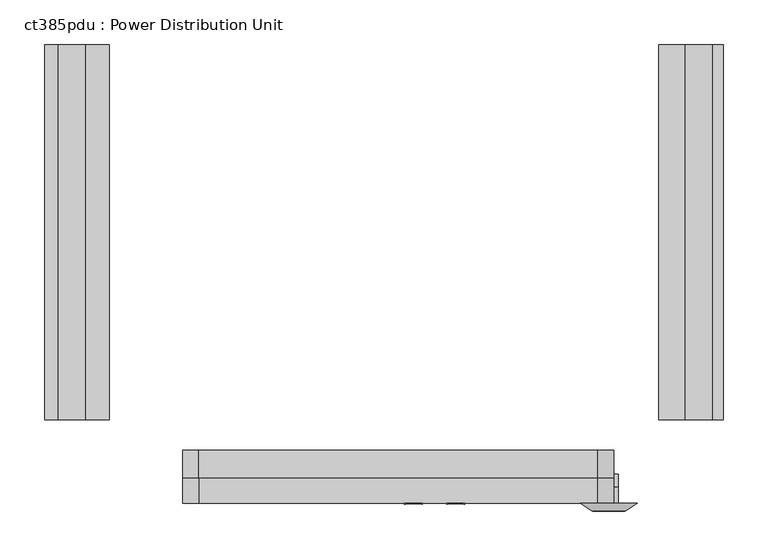
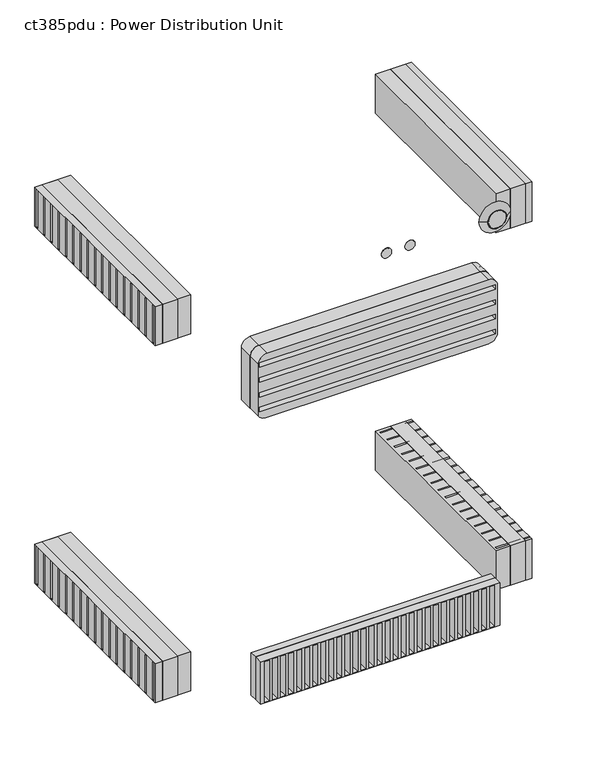
"""IFC4 building model written with IfcOpenShell, lengths in millimetres: proxy geometry, ct385pdu : Power Distribution Unit."""

from ifc_helpers import new_model, si_unit, point, frame, frame_2d, origin, place, context, project, spatial, polyline, circle_curve, trimmed, segment, composite_curve, outline, extrude, faceted_brep, source, transform, mapped, element, save
from ifc_brep_helpers import plane_surface, revolved_surface, advanced_brep


def ct385pdu_power_distribution_unit_e67f532d(model_context):
    return source(origin(), model_context, "Body", "SolidModel", [
        extrude(outline(polyline([(761.8482721, -324.5379539), (761.8482721, -744.9079539), (731.5127684, -744.9079539), (731.5127684, -324.5379539), (761.8482721, -324.5379539)])), frame((0.0, 0.0, 121.047899), z_axis=(0.0, 0.0, 1.0), x_axis=(1.0, 0.0, 0.0)), (0.0, 0.0, 1.0), 83.82),
        extrude(outline(polyline([(761.8482721, -324.5379539), (761.8482721, -744.9079539), (731.5127684, -744.9079539), (731.5127684, -324.5379539), (761.8482721, -324.5379539)])), frame((0.0, 0.0, 883.047899), z_axis=(0.0, 0.0, 1.0), x_axis=(1.0, 0.0, 0.0)), (0.0, 0.0, 1.0), 83.82),
        extrude(outline(polyline([(28.6535885, -744.9079539), (28.6535885, -324.5379539), (58.9890922, -324.5379539), (58.9890922, -744.9079539), (28.6535885, -744.9079539)])), frame((0.0, 0.0, 121.047899), z_axis=(0.0, 0.0, 1.0), x_axis=(1.0, 0.0, 0.0)), (0.0, 0.0, 1.0), 83.82),
        extrude(outline(polyline([(28.6535885, -744.9079539), (28.6535885, -324.5379539), (58.9890922, -324.5379539), (58.9890922, -744.9079539), (28.6535885, -744.9079539)])), frame((0.0, 0.0, 883.047899), z_axis=(0.0, 0.0, 1.0), x_axis=(1.0, 0.0, 0.0)), (0.0, 0.0, 1.0), 83.82),
        extrude(outline(polyline([(656.4572816, -820.2558112), (172.5872816, -820.2558112), (172.5872816, -805.8457536), (656.4572816, -805.8457536), (656.4572816, -820.2558112)])), frame((0.0, 0.0, 118.6856245), z_axis=(0.0, 0.0, 1.0), x_axis=(1.0, 0.0, 0.0)), (0.0, 0.0, 1.0), 90.17),
        extrude(outline(composite_curve([segment(polyline([(845.892643, 168.2948993), (734.9447741, 168.2948993)]), True, "CONTINUOUS"), segment(trimmed(circle_curve(frame_2d((745.3012718, 182.7472816)), 17.78), [point((734.9447741, 168.2948993))], [point((727.5212718, 182.7472816))], False, "CARTESIAN"), True, "CONTINUOUS"), segment(polyline([(727.5212718, 182.7472816), (727.5212718, 633.5972816)]), True, "CONTINUOUS"), segment(trimmed(circle_curve(frame_2d((745.3012718, 633.5972816)), 17.78), [point((727.5212718, 633.5972816))], [point((745.3012718, 651.3772816))], False, "CARTESIAN"), True, "CONTINUOUS"), segment(polyline([(745.3012718, 651.3772816), (845.892643, 651.3772816)]), True, "CONTINUOUS"), segment(trimmed(circle_curve(frame_2d((845.892643, 633.5972816)), 17.78), [point((845.892643, 651.3772816))], [point((863.672643, 633.5972816))], False, "CARTESIAN"), True, "CONTINUOUS"), segment(polyline([(863.672643, 633.5972816), (863.672643, 186.0748993)]), True, "CONTINUOUS"), segment(trimmed(circle_curve(frame_2d((845.892643, 186.0748993)), 17.78), [point((863.672643, 186.0748993))], [point((845.892643, 168.2948993))], False, "CARTESIAN"), True, "CONTINUOUS")], self_intersect=False)), frame((0.0, -810.0150461, 0.0), z_axis=(0.0, 1.0, 0.0), x_axis=(0.0, 0.0, 1.0)), (0.0, 0.0, 1.0), 30.8170922),
        faceted_brep([(774.3030789, -324.5379539, 966.867899), (774.3030789, -744.9079539, 966.867899), (774.3030789, -744.9079539, 883.047899), (774.3030789, -324.5379539, 883.047899), (774.3030789, -736.3419115, 965.3989057), (774.3030789, -736.3419115, 884.1630022), (774.3030789, -740.0505071, 884.1630022), (774.3030789, -740.0505071, 965.3989057), (774.3030789, -710.9419115, 965.3989057), (774.3030789, -710.9419115, 884.1630022), (774.3030789, -714.6505071, 884.1630022), (774.3030789, -714.6505071, 965.3989057), (774.3030789, -685.5419115, 965.3989057), (774.3030789, -685.5419115, 884.1630022), (774.3030789, -689.2505071, 884.1630022), (774.3030789, -689.2505071, 965.3989057), (774.3030789, -660.1419115, 965.3989057), (774.3030789, -660.1419115, 884.1630022), (774.3030789, -663.8505071, 884.1630022), (774.3030789, -663.8505071, 965.3989057), (774.3030789, -634.7419115, 965.3989057), (774.3030789, -634.7419115, 884.1630022), (774.3030789, -638.4505071, 884.1630022), (774.3030789, -638.4505071, 965.3989057), (774.3030789, -609.3419115, 965.3989057), (774.3030789, -609.3419115, 884.1630022), (774.3030789, -613.0505071, 884.1630022), (774.3030789, -613.0505071, 965.3989057), (774.3030789, -583.9419115, 965.3989057), (774.3030789, -583.9419115, 884.1630022), (774.3030789, -587.6505071, 884.1630022), (774.3030789, -587.6505071, 965.3989057), (774.3030789, -558.5419115, 965.3989057), (774.3030789, -558.5419115, 884.1630022), (774.3030789, -562.2505071, 884.1630022), (774.3030789, -562.2505071, 965.3989057), (774.3030789, -533.1419115, 965.3989057), (774.3030789, -533.1419115, 884.1630022), (774.3030789, -536.8505071, 884.1630022), (774.3030789, -536.8505071, 965.3989057), (774.3030789, -507.7419115, 965.3989057), (774.3030789, -507.7419115, 884.1630022), (774.3030789, -511.4505071, 884.1630022), (774.3030789, -511.4505071, 965.3989057), (774.3030789, -482.3419115, 965.3989057), (774.3030789, -482.3419115, 884.1630022), (774.3030789, -486.0505071, 884.1630022), (774.3030789, -486.0505071, 965.3989057), (774.3030789, -456.9419115, 965.3989057), (774.3030789, -456.9419115, 884.1630022), (774.3030789, -460.6505071, 884.1630022), (774.3030789, -460.6505071, 965.3989057), (774.3030789, -431.5419115, 965.3989057), (774.3030789, -431.5419115, 884.1630022), (774.3030789, -435.2505071, 884.1630022), (774.3030789, -435.2505071, 965.3989057), (774.3030789, -406.1419115, 965.3989057), (774.3030789, -406.1419115, 884.1630022), (774.3030789, -409.8505071, 884.1630022), (774.3030789, -409.8505071, 965.3989057), (774.3030789, -380.7419115, 965.3989057), (774.3030789, -380.7419115, 884.1630022), (774.3030789, -384.4505071, 884.1630022), (774.3030789, -384.4505071, 965.3989057), (774.3030789, -355.3419115, 965.3989057), (774.3030789, -355.3419115, 884.1630022), (774.3030789, -359.0505071, 884.1630022), (774.3030789, -359.0505071, 965.3989057), (774.3030789, -329.9419115, 965.3989057), (774.3030789, -329.9419115, 884.1630022), (774.3030789, -333.6505071, 884.1630022), (774.3030789, -333.6505071, 965.3989057), (701.9825097, -324.5379539, 966.867899), (701.9825097, -324.5379539, 883.047899), (701.9825097, -744.9079539, 883.047899), (701.9825097, -744.9079539, 966.867899), (706.2723647, -736.3419115, 965.3989057), (706.2723647, -740.0505071, 965.3989057), (706.2723647, -740.0505071, 884.1630022), (706.2723647, -736.3419115, 884.1630022), (706.2723647, -710.9419115, 965.3989057), (706.2723647, -714.6505071, 965.3989057), (706.2723647, -714.6505071, 884.1630022), (706.2723647, -710.9419115, 884.1630022), (706.2723647, -685.5419115, 965.3989057), (706.2723647, -689.2505071, 965.3989057), (706.2723647, -689.2505071, 884.1630022), (706.2723647, -685.5419115, 884.1630022), (706.2723647, -660.1419115, 965.3989057), (706.2723647, -663.8505071, 965.3989057), (706.2723647, -663.8505071, 884.1630022), (706.2723647, -660.1419115, 884.1630022), (706.2723647, -634.7419115, 965.3989057), (706.2723647, -638.4505071, 965.3989057), (706.2723647, -638.4505071, 884.1630022), (706.2723647, -634.7419115, 884.1630022), (706.2723647, -609.3419115, 965.3989057), (706.2723647, -613.0505071, 965.3989057), (706.2723647, -613.0505071, 884.1630022), (706.2723647, -609.3419115, 884.1630022), (706.2723647, -583.9419115, 965.3989057), (706.2723647, -587.6505071, 965.3989057), (706.2723647, -587.6505071, 884.1630022), (706.2723647, -583.9419115, 884.1630022), (706.2723647, -558.5419115, 965.3989057), (706.2723647, -562.2505071, 965.3989057), (706.2723647, -562.2505071, 884.1630022), (706.2723647, -558.5419115, 884.1630022), (706.2723647, -533.1419115, 965.3989057), (706.2723647, -536.8505071, 965.3989057), (706.2723647, -536.8505071, 884.1630022), (706.2723647, -533.1419115, 884.1630022), (706.2723647, -507.7419115, 965.3989057), (706.2723647, -511.4505071, 965.3989057), (706.2723647, -511.4505071, 884.1630022), (706.2723647, -507.7419115, 884.1630022), (706.2723647, -482.3419115, 965.3989057), (706.2723647, -486.0505071, 965.3989057), (706.2723647, -486.0505071, 884.1630022), (706.2723647, -482.3419115, 884.1630022), (706.2723647, -456.9419115, 965.3989057), (706.2723647, -460.6505071, 965.3989057), (706.2723647, -460.6505071, 884.1630022), (706.2723647, -456.9419115, 884.1630022), (706.2723647, -431.5419115, 965.3989057), (706.2723647, -435.2505071, 965.3989057), (706.2723647, -435.2505071, 884.1630022), (706.2723647, -431.5419115, 884.1630022), (706.2723647, -406.1419115, 965.3989057), (706.2723647, -409.8505071, 965.3989057), (706.2723647, -409.8505071, 884.1630022), (706.2723647, -406.1419115, 884.1630022), (706.2723647, -380.7419115, 965.3989057), (706.2723647, -384.4505071, 965.3989057), (706.2723647, -384.4505071, 884.1630022), (706.2723647, -380.7419115, 884.1630022), (706.2723647, -355.3419115, 965.3989057), (706.2723647, -359.0505071, 965.3989057), (706.2723647, -359.0505071, 884.1630022), (706.2723647, -355.3419115, 884.1630022), (706.2723647, -329.9419115, 965.3989057), (706.2723647, -333.6505071, 965.3989057), (706.2723647, -333.6505071, 884.1630022), (706.2723647, -329.9419115, 884.1630022)], [[[0, 1, 2, 3], [4, 5, 6, 7], [8, 9, 10, 11], [12, 13, 14, 15], [16, 17, 18, 19], [20, 21, 22, 23], [24, 25, 26, 27], [28, 29, 30, 31], [32, 33, 34, 35], [36, 37, 38, 39], [40, 41, 42, 43], [44, 45, 46, 47], [48, 49, 50, 51], [52, 53, 54, 55], [56, 57, 58, 59], [60, 61, 62, 63], [64, 65, 66, 67], [68, 69, 70, 71]], [[72, 73, 74, 75]], [[0, 3, 73, 72]], [[3, 2, 74, 73]], [[2, 1, 75, 74]], [[1, 0, 72, 75]], [[76, 77, 78, 79]], [[80, 81, 82, 83]], [[84, 85, 86, 87]], [[88, 89, 90, 91]], [[92, 93, 94, 95]], [[96, 97, 98, 99]], [[100, 101, 102, 103]], [[104, 105, 106, 107]], [[108, 109, 110, 111]], [[112, 113, 114, 115]], [[116, 117, 118, 119]], [[120, 121, 122, 123]], [[124, 125, 126, 127]], [[128, 129, 130, 131]], [[132, 133, 134, 135]], [[136, 137, 138, 139]], [[140, 141, 142, 143]], [[76, 79, 5, 4]], [[79, 78, 6, 5]], [[78, 77, 7, 6]], [[77, 76, 4, 7]], [[80, 83, 9, 8]], [[83, 82, 10, 9]], [[82, 81, 11, 10]], [[81, 80, 8, 11]], [[84, 87, 13, 12]], [[87, 86, 14, 13]], [[86, 85, 15, 14]], [[85, 84, 12, 15]], [[88, 91, 17, 16]], [[91, 90, 18, 17]], [[90, 89, 19, 18]], [[89, 88, 16, 19]], [[92, 95, 21, 20]], [[95, 94, 22, 21]], [[94, 93, 23, 22]], [[93, 92, 20, 23]], [[96, 99, 25, 24]], [[99, 98, 26, 25]], [[98, 97, 27, 26]], [[97, 96, 24, 27]], [[100, 103, 29, 28]], [[103, 102, 30, 29]], [[102, 101, 31, 30]], [[101, 100, 28, 31]], [[104, 107, 33, 32]], [[107, 106, 34, 33]], [[106, 105, 35, 34]], [[105, 104, 32, 35]], [[108, 111, 37, 36]], [[111, 110, 38, 37]], [[110, 109, 39, 38]], [[109, 108, 36, 39]], [[112, 115, 41, 40]], [[115, 114, 42, 41]], [[114, 113, 43, 42]], [[113, 112, 40, 43]], [[116, 119, 45, 44]], [[119, 118, 46, 45]], [[118, 117, 47, 46]], [[117, 116, 44, 47]], [[120, 123, 49, 48]], [[123, 122, 50, 49]], [[122, 121, 51, 50]], [[121, 120, 48, 51]], [[124, 127, 53, 52]], [[127, 126, 54, 53]], [[126, 125, 55, 54]], [[125, 124, 52, 55]], [[128, 131, 57, 56]], [[131, 130, 58, 57]], [[130, 129, 59, 58]], [[129, 128, 56, 59]], [[132, 135, 61, 60]], [[135, 134, 62, 61]], [[134, 133, 63, 62]], [[133, 132, 60, 63]], [[136, 139, 65, 64]], [[139, 138, 66, 65]], [[138, 137, 67, 66]], [[137, 136, 64, 67]], [[140, 143, 69, 68]], [[143, 142, 70, 69]], [[142, 141, 71, 70]], [[141, 140, 68, 71]]]),
        faceted_brep([(774.3030789, -744.9079539, 204.867899), (774.3030789, -744.9079539, 121.047899), (774.3030789, -324.5379539, 121.047899), (774.3030789, -324.5379539, 204.867899), (774.3030789, -329.9419115, 204.867899), (774.3030789, -329.9419115, 125.3934548), (774.3030789, -333.6505071, 125.3934548), (774.3030789, -333.6505071, 204.867899), (774.3030789, -355.3419115, 204.867899), (774.3030789, -355.3419115, 125.3934548), (774.3030789, -359.0505071, 125.3934548), (774.3030789, -359.0505071, 204.867899), (774.3030789, -380.7419115, 204.867899), (774.3030789, -380.7419115, 125.3934548), (774.3030789, -384.4505071, 125.3934548), (774.3030789, -384.4505071, 204.867899), (774.3030789, -406.1419115, 204.867899), (774.3030789, -406.1419115, 125.3934548), (774.3030789, -409.8505071, 125.3934548), (774.3030789, -409.8505071, 204.867899), (774.3030789, -431.5419115, 204.867899), (774.3030789, -431.5419115, 125.3934548), (774.3030789, -435.2505071, 125.3934548), (774.3030789, -435.2505071, 204.867899), (774.3030789, -456.9419115, 204.867899), (774.3030789, -456.9419115, 125.3934548), (774.3030789, -460.6505071, 125.3934548), (774.3030789, -460.6505071, 204.867899), (774.3030789, -482.3419115, 204.867899), (774.3030789, -482.3419115, 125.3934548), (774.3030789, -486.0505071, 125.3934548), (774.3030789, -486.0505071, 204.867899), (774.3030789, -507.7419115, 204.867899), (774.3030789, -507.7419115, 125.3934548), (774.3030789, -511.4505071, 125.3934548), (774.3030789, -511.4505071, 204.867899), (774.3030789, -533.1419115, 204.867899), (774.3030789, -533.1419115, 125.3934548), (774.3030789, -536.8505071, 125.3934548), (774.3030789, -536.8505071, 204.867899), (774.3030789, -558.5419115, 204.867899), (774.3030789, -558.5419115, 125.3934548), (774.3030789, -562.2505071, 125.3934548), (774.3030789, -562.2505071, 204.867899), (774.3030789, -583.9419115, 204.867899), (774.3030789, -583.9419115, 125.3934548), (774.3030789, -587.6505071, 125.3934548), (774.3030789, -587.6505071, 204.867899), (774.3030789, -609.3419115, 204.867899), (774.3030789, -609.3419115, 125.3934548), (774.3030789, -613.0505071, 125.3934548), (774.3030789, -613.0505071, 204.867899), (774.3030789, -634.7419115, 204.867899), (774.3030789, -634.7419115, 125.3934548), (774.3030789, -638.4505071, 125.3934548), (774.3030789, -638.4505071, 204.867899), (774.3030789, -660.1419115, 204.867899), (774.3030789, -660.1419115, 125.3934548), (774.3030789, -663.8505071, 125.3934548), (774.3030789, -663.8505071, 204.867899), (774.3030789, -685.5419115, 204.867899), (774.3030789, -685.5419115, 125.3934548), (774.3030789, -689.2505071, 125.3934548), (774.3030789, -689.2505071, 204.867899), (774.3030789, -710.9419115, 204.867899), (774.3030789, -710.9419115, 125.3934548), (774.3030789, -714.6505071, 125.3934548), (774.3030789, -714.6505071, 204.867899), (774.3030789, -736.3419115, 204.867899), (774.3030789, -736.3419115, 125.3934548), (774.3030789, -740.0505071, 125.3934548), (774.3030789, -740.0505071, 204.867899), (701.9825097, -324.5379539, 204.867899), (701.9825097, -324.5379539, 121.047899), (701.9825097, -744.9079539, 121.047899), (701.9825097, -744.9079539, 204.867899), (706.2723647, -740.0505071, 204.867899), (706.2723647, -736.3419115, 204.867899), (706.2723647, -714.6505071, 204.867899), (706.2723647, -710.9419115, 204.867899), (706.2723647, -689.2505071, 204.867899), (706.2723647, -685.5419115, 204.867899), (706.2723647, -663.8505071, 204.867899), (706.2723647, -660.1419115, 204.867899), (706.2723647, -638.4505071, 204.867899), (706.2723647, -634.7419115, 204.867899), (706.2723647, -613.0505071, 204.867899), (706.2723647, -609.3419115, 204.867899), (706.2723647, -587.6505071, 204.867899), (706.2723647, -583.9419115, 204.867899), (706.2723647, -562.2505071, 204.867899), (706.2723647, -558.5419115, 204.867899), (706.2723647, -536.8505071, 204.867899), (706.2723647, -533.1419115, 204.867899), (706.2723647, -511.4505071, 204.867899), (706.2723647, -507.7419115, 204.867899), (706.2723647, -486.0505071, 204.867899), (706.2723647, -482.3419115, 204.867899), (706.2723647, -460.6505071, 204.867899), (706.2723647, -456.9419115, 204.867899), (706.2723647, -435.2505071, 204.867899), (706.2723647, -431.5419115, 204.867899), (706.2723647, -409.8505071, 204.867899), (706.2723647, -406.1419115, 204.867899), (706.2723647, -384.4505071, 204.867899), (706.2723647, -380.7419115, 204.867899), (706.2723647, -359.0505071, 204.867899), (706.2723647, -355.3419115, 204.867899), (706.2723647, -333.6505071, 204.867899), (706.2723647, -329.9419115, 204.867899), (706.2723647, -740.0505071, 125.3934548), (706.2723647, -736.3419115, 125.3934548), (706.2723647, -714.6505071, 125.3934548), (706.2723647, -710.9419115, 125.3934548), (706.2723647, -689.2505071, 125.3934548), (706.2723647, -685.5419115, 125.3934548), (706.2723647, -663.8505071, 125.3934548), (706.2723647, -660.1419115, 125.3934548), (706.2723647, -638.4505071, 125.3934548), (706.2723647, -634.7419115, 125.3934548), (706.2723647, -613.0505071, 125.3934548), (706.2723647, -609.3419115, 125.3934548), (706.2723647, -587.6505071, 125.3934548), (706.2723647, -583.9419115, 125.3934548), (706.2723647, -562.2505071, 125.3934548), (706.2723647, -558.5419115, 125.3934548), (706.2723647, -536.8505071, 125.3934548), (706.2723647, -533.1419115, 125.3934548), (706.2723647, -511.4505071, 125.3934548), (706.2723647, -507.7419115, 125.3934548), (706.2723647, -486.0505071, 125.3934548), (706.2723647, -482.3419115, 125.3934548), (706.2723647, -460.6505071, 125.3934548), (706.2723647, -456.9419115, 125.3934548), (706.2723647, -435.2505071, 125.3934548), (706.2723647, -431.5419115, 125.3934548), (706.2723647, -409.8505071, 125.3934548), (706.2723647, -406.1419115, 125.3934548), (706.2723647, -384.4505071, 125.3934548), (706.2723647, -380.7419115, 125.3934548), (706.2723647, -359.0505071, 125.3934548), (706.2723647, -355.3419115, 125.3934548), (706.2723647, -333.6505071, 125.3934548), (706.2723647, -329.9419115, 125.3934548)], [[[0, 1, 2, 3, 4, 5, 6, 7, 8, 9, 10, 11, 12, 13, 14, 15, 16, 17, 18, 19, 20, 21, 22, 23, 24, 25, 26, 27, 28, 29, 30, 31, 32, 33, 34, 35, 36, 37, 38, 39, 40, 41, 42, 43, 44, 45, 46, 47, 48, 49, 50, 51, 52, 53, 54, 55, 56, 57, 58, 59, 60, 61, 62, 63, 64, 65, 66, 67, 68, 69, 70, 71]], [[72, 73, 74, 75]], [[3, 2, 73, 72]], [[2, 1, 74, 73]], [[1, 0, 75, 74]], [[72, 75, 0, 71, 76, 77, 68, 67, 78, 79, 64, 63, 80, 81, 60, 59, 82, 83, 56, 55, 84, 85, 52, 51, 86, 87, 48, 47, 88, 89, 44, 43, 90, 91, 40, 39, 92, 93, 36, 35, 94, 95, 32, 31, 96, 97, 28, 27, 98, 99, 24, 23, 100, 101, 20, 19, 102, 103, 16, 15, 104, 105, 12, 11, 106, 107, 8, 7, 108, 109, 4, 3]], [[110, 111, 77, 76]], [[112, 113, 79, 78]], [[114, 115, 81, 80]], [[116, 117, 83, 82]], [[118, 119, 85, 84]], [[120, 121, 87, 86]], [[122, 123, 89, 88]], [[124, 125, 91, 90]], [[126, 127, 93, 92]], [[128, 129, 95, 94]], [[130, 131, 97, 96]], [[132, 133, 99, 98]], [[134, 135, 101, 100]], [[136, 137, 103, 102]], [[138, 139, 105, 104]], [[140, 141, 107, 106]], [[142, 143, 109, 108]], [[111, 110, 70, 69]], [[70, 110, 76, 71]], [[111, 69, 68, 77]], [[113, 112, 66, 65]], [[66, 112, 78, 67]], [[113, 65, 64, 79]], [[115, 114, 62, 61]], [[62, 114, 80, 63]], [[115, 61, 60, 81]], [[117, 116, 58, 57]], [[58, 116, 82, 59]], [[117, 57, 56, 83]], [[119, 118, 54, 53]], [[54, 118, 84, 55]], [[119, 53, 52, 85]], [[121, 120, 50, 49]], [[50, 120, 86, 51]], [[121, 49, 48, 87]], [[123, 122, 46, 45]], [[46, 122, 88, 47]], [[123, 45, 44, 89]], [[125, 124, 42, 41]], [[42, 124, 90, 43]], [[125, 41, 40, 91]], [[127, 126, 38, 37]], [[38, 126, 92, 39]], [[127, 37, 36, 93]], [[129, 128, 34, 33]], [[34, 128, 94, 35]], [[129, 33, 32, 95]], [[131, 130, 30, 29]], [[30, 130, 96, 31]], [[131, 29, 28, 97]], [[133, 132, 26, 25]], [[26, 132, 98, 27]], [[133, 25, 24, 99]], [[135, 134, 22, 21]], [[22, 134, 100, 23]], [[135, 21, 20, 101]], [[137, 136, 18, 17]], [[18, 136, 102, 19]], [[137, 17, 16, 103]], [[139, 138, 14, 13]], [[14, 138, 104, 15]], [[139, 13, 12, 105]], [[141, 140, 10, 9]], [[10, 140, 106, 11]], [[141, 9, 8, 107]], [[143, 142, 6, 5]], [[6, 142, 108, 7]], [[143, 5, 4, 109]]]),
        extrude(outline(polyline([(-324.5379539, 966.867899), (-324.5379539, 883.047899), (-744.9079539, 883.047899), (-744.9079539, 966.867899), (-324.5379539, 966.867899)]), holes=[polyline([(-333.6505071, 965.3989057), (-333.6505071, 884.1630022), (-329.9419115, 884.1630022), (-329.9419115, 965.3989057), (-333.6505071, 965.3989057)]), polyline([(-359.0505071, 965.3989057), (-359.0505071, 884.1630022), (-355.3419115, 884.1630022), (-355.3419115, 965.3989057), (-359.0505071, 965.3989057)]), polyline([(-384.4505071, 965.3989057), (-384.4505071, 884.1630022), (-380.7419115, 884.1630022), (-380.7419115, 965.3989057), (-384.4505071, 965.3989057)]), polyline([(-409.8505071, 965.3989057), (-409.8505071, 884.1630022), (-406.1419115, 884.1630022), (-406.1419115, 965.3989057), (-409.8505071, 965.3989057)]), polyline([(-435.2505071, 965.3989057), (-435.2505071, 884.1630022), (-431.5419115, 884.1630022), (-431.5419115, 965.3989057), (-435.2505071, 965.3989057)]), polyline([(-460.6505071, 965.3989057), (-460.6505071, 884.1630022), (-456.9419115, 884.1630022), (-456.9419115, 965.3989057), (-460.6505071, 965.3989057)]), polyline([(-486.0505071, 965.3989057), (-486.0505071, 884.1630022), (-482.3419115, 884.1630022), (-482.3419115, 965.3989057), (-486.0505071, 965.3989057)]), polyline([(-511.4505071, 965.3989057), (-511.4505071, 884.1630022), (-507.7419115, 884.1630022), (-507.7419115, 965.3989057), (-511.4505071, 965.3989057)]), polyline([(-536.8505071, 965.3989057), (-536.8505071, 884.1630022), (-533.1419115, 884.1630022), (-533.1419115, 965.3989057), (-536.8505071, 965.3989057)]), polyline([(-562.2505071, 965.3989057), (-562.2505071, 884.1630022), (-558.5419115, 884.1630022), (-558.5419115, 965.3989057), (-562.2505071, 965.3989057)]), polyline([(-587.6505071, 965.3989057), (-587.6505071, 884.1630022), (-583.9419115, 884.1630022), (-583.9419115, 965.3989057), (-587.6505071, 965.3989057)]), polyline([(-613.0505071, 965.3989057), (-613.0505071, 884.1630022), (-609.3419115, 884.1630022), (-609.3419115, 965.3989057), (-613.0505071, 965.3989057)]), polyline([(-638.4505071, 965.3989057), (-638.4505071, 884.1630022), (-634.7419115, 884.1630022), (-634.7419115, 965.3989057), (-638.4505071, 965.3989057)]), polyline([(-663.8505071, 965.3989057), (-663.8505071, 884.1630022), (-660.1419115, 884.1630022), (-660.1419115, 965.3989057), (-663.8505071, 965.3989057)]), polyline([(-689.2505071, 965.3989057), (-689.2505071, 884.1630022), (-685.5419115, 884.1630022), (-685.5419115, 965.3989057), (-689.2505071, 965.3989057)]), polyline([(-714.6505071, 965.3989057), (-714.6505071, 884.1630022), (-710.9419115, 884.1630022), (-710.9419115, 965.3989057), (-714.6505071, 965.3989057)]), polyline([(-740.0505071, 965.3989057), (-740.0505071, 884.1630022), (-736.3419115, 884.1630022), (-736.3419115, 965.3989057), (-740.0505071, 965.3989057)])]), frame((13.3803622, 0.0, 0.0), z_axis=(1.0, 0.0, 0.0), x_axis=(0.0, 1.0, 0.0)), (0.0, 0.0, 1.0), 72.3205692),
        extrude(outline(polyline([(-324.5379539, 204.867899), (-324.5379539, 121.047899), (-744.9079539, 121.047899), (-744.9079539, 204.867899), (-324.5379539, 204.867899)]), holes=[polyline([(-333.6505071, 122.2184548), (-329.9419115, 122.2184548), (-329.9419115, 203.4543583), (-333.6505071, 203.4543583), (-333.6505071, 122.2184548)]), polyline([(-359.0505071, 122.2184548), (-355.3419115, 122.2184548), (-355.3419115, 203.4543583), (-359.0505071, 203.4543583), (-359.0505071, 122.2184548)]), polyline([(-384.4505071, 122.2184548), (-380.7419115, 122.2184548), (-380.7419115, 203.4543583), (-384.4505071, 203.4543583), (-384.4505071, 122.2184548)]), polyline([(-409.8505071, 122.2184548), (-406.1419115, 122.2184548), (-406.1419115, 203.4543583), (-409.8505071, 203.4543583), (-409.8505071, 122.2184548)]), polyline([(-435.2505071, 122.2184548), (-431.5419115, 122.2184548), (-431.5419115, 203.4543583), (-435.2505071, 203.4543583), (-435.2505071, 122.2184548)]), polyline([(-460.6505071, 122.2184548), (-456.9419115, 122.2184548), (-456.9419115, 203.4543583), (-460.6505071, 203.4543583), (-460.6505071, 122.2184548)]), polyline([(-486.0505071, 122.2184548), (-482.3419115, 122.2184548), (-482.3419115, 203.4543583), (-486.0505071, 203.4543583), (-486.0505071, 122.2184548)]), polyline([(-511.4505071, 122.2184548), (-507.7419115, 122.2184548), (-507.7419115, 203.4543583), (-511.4505071, 203.4543583), (-511.4505071, 122.2184548)]), polyline([(-536.8505071, 122.2184548), (-533.1419115, 122.2184548), (-533.1419115, 203.4543583), (-536.8505071, 203.4543583), (-536.8505071, 122.2184548)]), polyline([(-562.2505071, 122.2184548), (-558.5419115, 122.2184548), (-558.5419115, 203.4543583), (-562.2505071, 203.4543583), (-562.2505071, 122.2184548)]), polyline([(-587.6505071, 122.2184548), (-583.9419115, 122.2184548), (-583.9419115, 203.4543583), (-587.6505071, 203.4543583), (-587.6505071, 122.2184548)]), polyline([(-613.0505071, 122.2184548), (-609.3419115, 122.2184548), (-609.3419115, 203.4543583), (-613.0505071, 203.4543583), (-613.0505071, 122.2184548)]), polyline([(-638.4505071, 122.2184548), (-634.7419115, 122.2184548), (-634.7419115, 203.4543583), (-638.4505071, 203.4543583), (-638.4505071, 122.2184548)]), polyline([(-663.8505071, 122.2184548), (-660.1419115, 122.2184548), (-660.1419115, 203.4543583), (-663.8505071, 203.4543583), (-663.8505071, 122.2184548)]), polyline([(-689.2505071, 122.2184548), (-685.5419115, 122.2184548), (-685.5419115, 203.4543583), (-689.2505071, 203.4543583), (-689.2505071, 122.2184548)]), polyline([(-714.6505071, 122.2184548), (-710.9419115, 122.2184548), (-710.9419115, 203.4543583), (-714.6505071, 203.4543583), (-714.6505071, 122.2184548)]), polyline([(-740.0505071, 122.2184548), (-736.3419115, 122.2184548), (-736.3419115, 203.4543583), (-740.0505071, 203.4543583), (-740.0505071, 122.2184548)])]), frame((13.3803622, 0.0, 0.0), z_axis=(1.0, 0.0, 0.0), x_axis=(0.0, 1.0, 0.0)), (0.0, 0.0, 1.0), 72.3205692),
        extrude(outline(composite_curve([segment(trimmed(circle_curve(frame_2d((993.6235454, 474.1566648)), 10.16), [point((993.6235454, 463.9966648))], [point((993.6235454, 484.3166648))], False, "CARTESIAN"), True, "CONTINUOUS"), segment(trimmed(circle_curve(frame_2d((993.6235454, 474.1566648)), 10.16), [point((993.6235454, 484.3166648))], [point((993.6235454, 463.9966648))], False, "CARTESIAN"), True, "CONTINUOUS")], self_intersect=False)), frame((0.0, -839.5136801, 0.0), z_axis=(0.0, 1.0, 0.0), x_axis=(0.0, 0.0, 1.0)), (0.0, 0.0, 1.0), 0.8341093),
        extrude(outline(composite_curve([segment(trimmed(circle_curve(frame_2d((993.6235454, 426.6988611)), 10.16), [point((993.6235454, 416.5388611))], [point((993.6235454, 436.8588611))], False, "CARTESIAN"), True, "CONTINUOUS"), segment(trimmed(circle_curve(frame_2d((993.6235454, 426.6988611)), 10.16), [point((993.6235454, 436.8588611))], [point((993.6235454, 416.5388611))], False, "CARTESIAN"), True, "CONTINUOUS")], self_intersect=False)), frame((0.0, -839.5136801, 0.0), z_axis=(0.0, 1.0, 0.0), x_axis=(0.0, 0.0, 1.0)), (0.0, 0.0, 1.0), 0.8341093),
        extrude(outline(composite_curve([segment(trimmed(circle_curve(frame_2d((993.6235454, 645.7731661)), 17.7152984), [point((993.6235454, 628.0578677))], [point((993.6235454, 663.4884646))], False, "CARTESIAN"), True, "CONTINUOUS"), segment(trimmed(circle_curve(frame_2d((993.6235454, 645.7731661)), 17.7152984), [point((993.6235454, 663.4884646))], [point((993.6235454, 628.0578677))], False, "CARTESIAN"), True, "CONTINUOUS")], self_intersect=False)), frame((0.0, -847.4710904, 0.0), z_axis=(0.0, 1.0, 0.0), x_axis=(0.0, 0.0, 1.0)), (0.0, 0.0, 1.0), 2.3570059),
        advanced_brep(
        [(626.7231661, -847.2477466, 993.6235454), (664.8231661, -847.2477466, 993.6235454), (614.0231661, -838.6795708, 993.6235454), (677.5231661, -838.6795708, 993.6235454)],
        [
            (0, 1, circle_curve(frame((645.7731661, -847.2477466, 993.6235454), z_axis=(0.0, -1.0, 0.0), x_axis=(-1.0, 0.0, 0.0)), 19.05)),
            (1, 0, circle_curve(frame((645.7731661, -847.2477466, 993.6235454), z_axis=(0.0, -1.0, 0.0), x_axis=(1.0, 0.0, 0.0)), 19.05)),
            (2, 3, circle_curve(frame((645.7731661, -838.6795708, 993.6235454), z_axis=(0.0, 1.0, 0.0), x_axis=(1.0, 0.0, 0.0)), 31.75)),
            (3, 2, circle_curve(frame((645.7731661, -838.6795708, 993.6235454), z_axis=(0.0, 1.0, 0.0), x_axis=(-1.0, 0.0, 0.0)), 31.75)),
            (3, 1),
            (0, 2),
        ],
        [
            plane_surface(frame((645.7731661, -847.2477466, 993.6235454), z_axis=(0.0, -1.0, 0.0), x_axis=(0.0, 0.0, -1.0))),
            plane_surface(frame((645.7731661, -838.6795708, 993.6235454), z_axis=(0.0, 1.0, 0.0), x_axis=(0.0, 0.0, -1.0))),
            revolved_surface(polyline([(626.7231660407109, -847.2477466, 993.6235454), (614.0231661, -838.6795708, 993.6235454)]), (645.7731661, -860.1000104, 993.6235454), (0.0, 1.0, 0.0)),
            revolved_surface(polyline([(664.8231661592891, -847.2477466, 993.6235454), (677.5231661, -838.6795708, 993.6235454)]), (645.7731661, -860.1000104, 993.6235454), (0.0, 1.0, 0.0)),
        ],
        [
            (0, [[1, 2]]),
            (1, [[3, 4]]),
            (2, [[-4, 5, -1, 6]]),
            (3, [[-3, -6, -2, -5]]),
        ],
    ),
        extrude(outline(composite_curve([segment(trimmed(circle_curve(frame_2d((845.892643, 186.0748993)), 17.78), [point((863.672643, 186.0748993))], [point((845.892643, 168.2948993))], False, "CARTESIAN"), True, "CONTINUOUS"), segment(polyline([(845.892643, 168.2948993), (734.9447741, 168.2948993)]), True, "CONTINUOUS"), segment(trimmed(circle_curve(frame_2d((745.3012718, 182.7472816)), 17.78), [point((734.9447741, 168.2948993))], [point((727.5212718, 182.7472816))], False, "CARTESIAN"), True, "CONTINUOUS"), segment(polyline([(727.5212718, 182.7472816), (727.5212718, 633.5972816)]), True, "CONTINUOUS"), segment(trimmed(circle_curve(frame_2d((745.3012718, 633.5972816)), 17.78), [point((727.5212718, 633.5972816))], [point((745.3012718, 651.3772816))], False, "CARTESIAN"), True, "CONTINUOUS"), segment(polyline([(745.3012718, 651.3772816), (845.892643, 651.3772816)]), True, "CONTINUOUS"), segment(trimmed(circle_curve(frame_2d((845.892643, 633.5972816)), 17.78), [point((845.892643, 651.3772816))], [point((863.672643, 633.5972816))], False, "CARTESIAN"), True, "CONTINUOUS"), segment(polyline([(863.672643, 633.5972816), (863.672643, 186.0748993)]), True, "CONTINUOUS")], self_intersect=False), holes=[polyline([(848.614, 647.2926794), (838.8967769, 647.2926794), (838.8967769, 170.9397372), (848.614, 170.9397372), (848.614, 647.2926794)]), polyline([(816.864, 647.2926794), (807.1467769, 647.2926794), (807.1467769, 170.9397372), (816.864, 170.9397372), (816.864, 647.2926794)]), polyline([(785.114, 647.2926794), (775.3967769, 647.2926794), (775.3967769, 170.9397372), (785.114, 170.9397372), (785.114, 647.2926794)]), polyline([(753.364, 647.2926794), (743.6467769, 647.2926794), (743.6467769, 170.9397372), (753.364, 170.9397372), (753.364, 647.2926794)])]), frame((0.0, -838.6795708, 0.0), z_axis=(0.0, 1.0, 0.0), x_axis=(0.0, 0.0, 1.0)), (0.0, 0.0, 1.0), 59.4816169),
        extrude(outline(polyline([(208.8556245, 172.5872816), (118.6856245, 172.5872816), (118.6856245, 656.4572816), (208.8556245, 656.4572816), (208.8556245, 172.5872816)]), holes=[polyline([(207.407899, 190.1782237), (120.3783251, 190.1782237), (120.3783251, 180.7461805), (207.407899, 180.7461805), (207.407899, 190.1782237)]), polyline([(207.407899, 206.3777551), (120.3783251, 206.3777551), (120.3783251, 196.9457119), (207.407899, 196.9457119), (207.407899, 206.3777551)]), polyline([(207.407899, 222.6337551), (120.3783251, 222.6337551), (120.3783251, 213.2017119), (207.407899, 213.2017119), (207.407899, 222.6337551)]), polyline([(207.407899, 238.8897551), (120.3783251, 238.8897551), (120.3783251, 229.4577119), (207.407899, 229.4577119), (207.407899, 238.8897551)]), polyline([(207.407899, 255.1457551), (120.3783251, 255.1457551), (120.3783251, 245.7137119), (207.407899, 245.7137119), (207.407899, 255.1457551)]), polyline([(207.407899, 271.4017551), (120.3783251, 271.4017551), (120.3783251, 261.9697119), (207.407899, 261.9697119), (207.407899, 271.4017551)]), polyline([(207.407899, 287.6577551), (120.3783251, 287.6577551), (120.3783251, 278.2257119), (207.407899, 278.2257119), (207.407899, 287.6577551)]), polyline([(207.407899, 303.9137551), (120.3783251, 303.9137551), (120.3783251, 294.4817119), (207.407899, 294.4817119), (207.407899, 303.9137551)]), polyline([(207.407899, 320.1697551), (120.3783251, 320.1697551), (120.3783251, 310.7377119), (207.407899, 310.7377119), (207.407899, 320.1697551)]), polyline([(207.407899, 336.4257551), (120.3783251, 336.4257551), (120.3783251, 326.9937119), (207.407899, 326.9937119), (207.407899, 336.4257551)]), polyline([(207.407899, 352.6817551), (120.3783251, 352.6817551), (120.3783251, 343.2497119), (207.407899, 343.2497119), (207.407899, 352.6817551)]), polyline([(207.407899, 368.9377551), (120.3783251, 368.9377551), (120.3783251, 359.5057119), (207.407899, 359.5057119), (207.407899, 368.9377551)]), polyline([(207.407899, 385.1937551), (120.3783251, 385.1937551), (120.3783251, 375.7617119), (207.407899, 375.7617119), (207.407899, 385.1937551)]), polyline([(207.407899, 401.4497551), (120.3783251, 401.4497551), (120.3783251, 392.0177119), (207.407899, 392.0177119), (207.407899, 401.4497551)]), polyline([(207.407899, 417.7057551), (120.3783251, 417.7057551), (120.3783251, 408.2737119), (207.407899, 408.2737119), (207.407899, 417.7057551)]), polyline([(207.407899, 433.9617551), (120.3783251, 433.9617551), (120.3783251, 424.5297119), (207.407899, 424.5297119), (207.407899, 433.9617551)]), polyline([(207.407899, 450.2177551), (120.3783251, 450.2177551), (120.3783251, 440.7857119), (207.407899, 440.7857119), (207.407899, 450.2177551)]), polyline([(207.407899, 466.4737551), (120.3783251, 466.4737551), (120.3783251, 457.0417119), (207.407899, 457.0417119), (207.407899, 466.4737551)]), polyline([(207.407899, 482.7297551), (120.3783251, 482.7297551), (120.3783251, 473.2977119), (207.407899, 473.2977119), (207.407899, 482.7297551)]), polyline([(207.407899, 498.9857551), (120.3783251, 498.9857551), (120.3783251, 489.5537119), (207.407899, 489.5537119), (207.407899, 498.9857551)]), polyline([(207.407899, 515.2417551), (120.3783251, 515.2417551), (120.3783251, 505.8097119), (207.407899, 505.8097119), (207.407899, 515.2417551)]), polyline([(207.407899, 531.4977551), (120.3783251, 531.4977551), (120.3783251, 522.0657119), (207.407899, 522.0657119), (207.407899, 531.4977551)]), polyline([(207.407899, 547.7537551), (120.3783251, 547.7537551), (120.3783251, 538.3217119), (207.407899, 538.3217119), (207.407899, 547.7537551)]), polyline([(207.407899, 564.0097551), (120.3783251, 564.0097551), (120.3783251, 554.5777119), (207.407899, 554.5777119), (207.407899, 564.0097551)]), polyline([(207.407899, 580.2657551), (120.3783251, 580.2657551), (120.3783251, 570.8337119), (207.407899, 570.8337119), (207.407899, 580.2657551)]), polyline([(207.407899, 596.5217551), (120.3783251, 596.5217551), (120.3783251, 587.0897119), (207.407899, 587.0897119), (207.407899, 596.5217551)]), polyline([(207.407899, 612.7777551), (120.3783251, 612.7777551), (120.3783251, 603.3457119), (207.407899, 603.3457119), (207.407899, 612.7777551)]), polyline([(207.407899, 629.0337551), (120.3783251, 629.0337551), (120.3783251, 619.6017119), (207.407899, 619.6017119), (207.407899, 629.0337551)]), polyline([(207.407899, 645.2897551), (120.3783251, 645.2897551), (120.3783251, 635.8577119), (207.407899, 635.8577119), (207.407899, 645.2897551)])]), frame((0.0, -838.6795708, 0.0), z_axis=(0.0, 1.0, 0.0), x_axis=(0.0, 0.0, 1.0)), (0.0, 0.0, 1.0), 18.4237596),
    ])


if __name__ == "__main__":
    model = new_model("IFC4")
    model_context = context("Model", 3, world=origin())
    ifc_project = project(units=[si_unit("LENGTHUNIT", "METRE", prefix="MILLI")], contexts=[model_context])
    site = spatial("IfcSite", under=ifc_project)
    building = spatial("IfcBuilding", under=site)
    placement = place(None, origin())
    ct385pdu_power_distribution_unit_shape = ct385pdu_power_distribution_unit_e67f532d(model_context)
    element("IfcBuildingElementProxy", 1, Name="ct385pdu : Power Distribution Unit", ObjectType="ct385pdu : Power Distribution Unit", at=placement, inside=building, context=model_context, shape_type="MappedRepresentation", body=[
        mapped(ct385pdu_power_distribution_unit_shape, transform((0.0, 0.0, 0.0), x_axis=(1.0, 0.0, 0.0), y_axis=(0.0, 1.0, 0.0), z_axis=(0.0, 0.0, 1.0))),
    ])
    save(model, "model.ifc")
